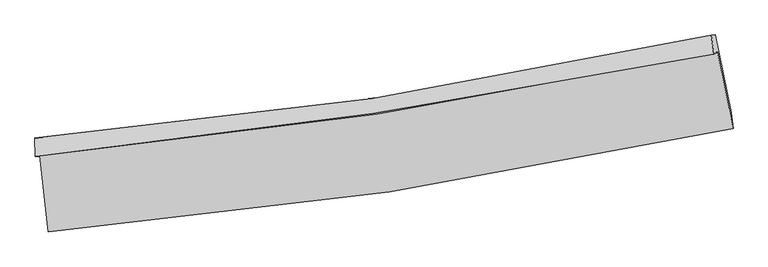
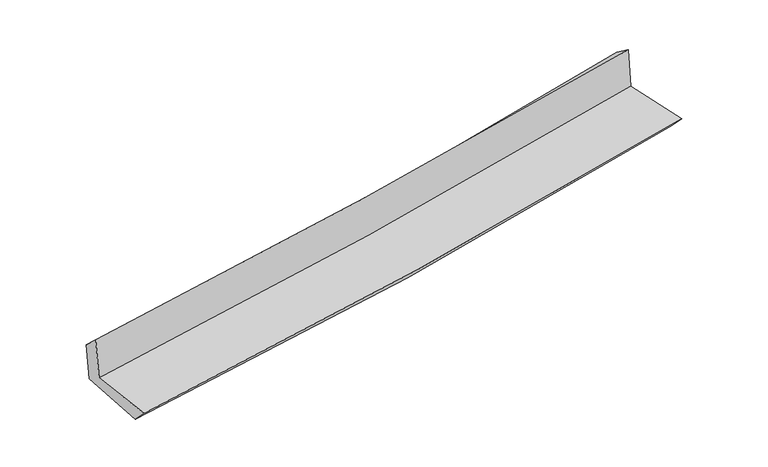
"""IFC4 building model written with IfcOpenShell, lengths in millimetres: proxy geometry."""

from ifc_helpers import new_model, si_unit, frame, origin, place, context, project, spatial, source, transform, mapped, element, save
from ifc_brep_helpers import plane_surface, spline_curve, spline_surface, advanced_brep


def generic_models_436091a7(model_context):
    return source(origin(), model_context, "Body", "AdvancedBrep", [
        advanced_brep(
        [(-2920.7172117, -1917.2869008, 1635.5112837), (-2849.2974905, -2572.8737819, 1635.6526197), (3012.1680293, -1686.640463, 2143.6141278), (2881.0183853, -1032.3867918, 2138.1085015), (-2957.059715, -1924.2615561, 2052.4382573), (2847.4912247, -1046.6698004, 2540.1817201), (-2961.3534619, -1766.5221698, 1907.5524807), (2825.9035594, -887.0171811, 2423.7893386), (-2928.6239201, -1762.0972953, 1534.3469447), (2859.2545822, -882.5050819, 2045.3783376), (-2851.8182919, -2423.4225118, 1480.9918679), (2997.3668067, -1546.849956, 1996.4065438)],
        [
            (0, 1),
            (1, 2, spline_curve(3, [(-2849.2974905, -2572.8737819, 1635.6526197), (-1872.681617835, -2488.326279704, 1737.242454955), (-899.72364124, -2373.022837865, 1830.104264934), (1054.214880977, -2078.592806557, 1999.703180417), (2035.078744344, -1898.485142304, 2076.161873221), (3012.1680293, -1686.640463, 2143.6141278)], [4, 2, 4], [0.0, 9.640721141145615, 19.433998605790904])),
            (2, 3),
            (3, 0, spline_curve(3, [(2881.0183853, -1032.3867918, 2138.1085015), (1913.549698497, -1236.817237972, 2071.56514468), (942.51432033, -1413.134034343, 1996.011403487), (-991.507801556, -1707.231669778, 1828.200462516), (-1954.384288705, -1825.881576383, 1736.221798099), (-2920.7172117, -1917.2869008, 1635.5112837)], [4, 2, 4], [0.0, 9.79327746464529, 19.433998605790904])),
            (4, 0),
            (3, 5),
            (5, 4, spline_curve(3, [(2847.4912247, -1046.6698004, 2540.1817201), (1878.413859045, -1240.153015574, 2470.855441658), (906.342146086, -1410.420535493, 2395.178485179), (-1028.600730614, -1702.233462125, 2232.401014628), (-1991.379330478, -1824.496527401, 2145.496816868), (-2957.059715, -1924.2615561, 2052.4382573)], [4, 2, 4], [0.0, 9.742970324250075, 19.334167992410308])),
            (6, 4),
            (5, 7),
            (7, 6, spline_curve(3, [(2825.9035594, -887.0171811, 2423.7893386), (1864.135237956, -1101.741581681, 2338.598315021), (897.153233707, -1282.708272019, 2252.639380416), (-1032.09360854, -1574.833061286, 2080.5366895), (-1994.197278288, -1687.03470051, 1994.41667166), (-2961.3534619, -1766.5221698, 1907.5524807)], [4, 2, 4], [0.0, 9.731360402652111, 19.31112900459824])),
            (8, 6),
            (7, 9),
            (9, 8, spline_curve(3, [(2859.2545822, -882.5050819, 2045.3783376), (1897.406474719, -1097.242098396, 1960.762007552), (930.332284426, -1278.222430708, 1875.528789716), (-999.122101645, -1570.376326313, 1705.165922434), (-1961.34074525, -1682.593398802, 1620.055342694), (-2928.6239201, -1762.0972953, 1534.3469447)], [4, 2, 4], [0.0, 9.721283253121145, 19.29113168392167])),
            (10, 8),
            (9, 11),
            (11, 10, spline_curve(3, [(2997.3668067, -1546.849956, 1996.4065438), (2022.823034725, -1750.872857763, 1911.817980997), (1044.261435141, -1926.28258112, 1826.227507134), (-905.591132627, -2217.588923767, 1654.391643198), (-1876.757899525, -2334.370052376, 1568.177225236), (-2851.8182919, -2423.4225118, 1480.9918679)], [4, 2, 4], [0.0, 9.77042233760756, 19.388644381059716])),
            (1, 10),
            (11, 2),
        ],
        [
            spline_surface(3, 3, [[(-2920.7172117, -1917.2869008, 1635.5112837), (-1954.384288822, -1825.881576449, 1736.221797974), (-991.507801397, -1707.231669822, 1828.200462606), (942.514320169, -1413.134034298, 1996.011403396), (1913.549698384, -1236.817237904, 2071.565144746), (2881.0183853, -1032.3867918, 2138.1085015)], [(-2896.910637962, -2135.815861175, 1635.558395676), (-1927.150065165, -2046.696477551, 1736.562016959), (-960.913081329, -1929.162059106, 1828.835063366), (979.747840436, -1634.953625088, 1997.241995759), (1954.059380327, -1457.373206074, 2073.097387599), (2924.7349333, -1250.471348859, 2139.943710273)], [(-2873.104064238, -2354.344821525, 1635.605507724), (-1899.915841522, -2267.511378628, 1736.902236016), (-930.318361281, -2151.092448431, 1829.469664117), (1016.981360682, -1856.77321592, 1998.472588111), (1994.569062269, -1677.929174267, 2074.629630434), (2968.4514813, -1468.555905941, 2141.778919027)], [(-2849.2974905, -2572.8737819, 1635.6526197), (-1872.681617866, -2488.326279731, 1737.242455001), (-899.723641212, -2373.022837715, 1830.104264877), (1054.214880949, -2078.59280671, 1999.703180474), (2035.078744212, -1898.485142437, 2076.161873286), (3012.1680293, -1686.640463, 2143.6141278)]], [4, 4], [4, 2, 4], [0.0, 2.2092589586393254], [0.0, 9.640721141145615, 19.433998605790904]),
            spline_surface(3, 3, [[(-2957.059715, -1924.2615561, 2052.4382573), (-1991.379330544, -1824.496527296, 2145.49681682), (-1028.600730491, -1702.233462088, 2232.401014614), (906.342145962, -1410.420535531, 2395.178485193), (1878.413859157, -1240.153015559, 2470.855441638), (2847.4912247, -1046.6698004, 2540.1817201)], [(-2944.945547247, -1921.936670984, 1913.462599459), (-1979.047649984, -1824.958210331, 2009.071810564), (-1016.236420776, -1703.899531359, 2097.667497284), (918.399537381, -1411.325035146, 2262.122791267), (1890.125805573, -1239.041089696, 2337.758675994), (2858.666944907, -1041.908797555, 2406.157313887)], [(-2932.831379453, -1919.611785916, 1774.486941541), (-1966.715969382, -1825.419893414, 1872.646804231), (-1003.872111112, -1705.565600551, 1962.933979935), (930.456928749, -1412.229534682, 2129.067097322), (1901.837751968, -1237.929163768, 2204.66191039), (2869.842665093, -1037.147794645, 2272.132907713)], [(-2920.7172117, -1917.2869008, 1635.5112837), (-1954.384288822, -1825.881576449, 1736.221797974), (-991.507801397, -1707.231669822, 1828.200462606), (942.514320169, -1413.134034298, 1996.011403396), (1913.549698384, -1236.817237904, 2071.565144746), (2881.0183853, -1032.3867918, 2138.1085015)]], [4, 4], [4, 2, 4], [0.0, 1.3232594327959584], [0.0, 9.591197668160232, 19.334167992410308]),
            spline_surface(3, 3, [[(-2961.3534619, -1766.5221698, 1907.5524807), (-1994.197278288, -1687.034700469, 1994.416671659), (-1032.093608678, -1574.833061266, 2080.536689562), (897.153233848, -1282.70827204, 2252.639380353), (1864.13523801, -1101.741581682, 2338.598315114), (2825.9035594, -887.0171811, 2423.7893386)], [(-2959.922212937, -1819.101965235, 1955.847739553), (-1993.257962377, -1732.855309413, 2044.776720033), (-1030.929315941, -1617.299861511, 2131.158131237), (900.216204561, -1325.279026508, 2300.15241529), (1868.894778384, -1147.878726286, 2382.684023971), (2833.099447825, -940.234720845, 2462.586799116)], [(-2958.490963963, -1871.681760665, 2004.142998447), (-1992.318646455, -1778.675918352, 2095.136768447), (-1029.765023228, -1659.766661843, 2181.779572939), (903.279175249, -1367.849781063, 2347.665450255), (1873.654318783, -1194.015870955, 2426.769732781), (2840.295336275, -993.452260655, 2501.384259584)], [(-2957.059715, -1924.2615561, 2052.4382573), (-1991.379330544, -1824.496527296, 2145.49681682), (-1028.600730491, -1702.233462088, 2232.401014614), (906.342145962, -1410.420535531, 2395.178485193), (1878.413859157, -1240.153015559, 2470.855441638), (2847.4912247, -1046.6698004, 2540.1817201)]], [4, 4], [4, 2, 4], [0.0, 0.6392084301863169], [0.0, 9.579768601946128, 19.31112900459824]),
            spline_surface(3, 3, [[(-2928.6239201, -1762.0972953, 1534.3469447), (-1961.340745397, -1682.593398787, 1620.055342558), (-999.122101711, -1570.376326433, 1705.165922452), (930.332284493, -1278.222430586, 1875.528789698), (1897.406474873, -1097.242098503, 1960.762007477), (2859.2545822, -882.5050819, 2045.3783376)], [(-2939.533767346, -1763.572253479, 1658.748790019), (-1972.292923007, -1684.073832694, 1744.842452244), (-1010.112604041, -1571.861904715, 1830.289511486), (919.272600937, -1279.717711074, 2001.232319914), (1886.316062587, -1098.741926253, 2086.707443346), (2848.137574602, -884.00911499, 2171.515337923)], [(-2950.443614654, -1765.047211621, 1783.150635381), (-1983.245100679, -1685.554266563, 1869.629561973), (-1021.103106348, -1573.347482985, 1955.413100527), (908.212917404, -1281.212991552, 2126.935850137), (1875.225650296, -1100.241753932, 2212.652879245), (2837.020566998, -885.51314801, 2297.652338277)], [(-2961.3534619, -1766.5221698, 1907.5524807), (-1994.197278288, -1687.034700469, 1994.416671659), (-1032.093608678, -1574.833061266, 2080.536689562), (897.153233848, -1282.70827204, 2252.639380353), (1864.13523801, -1101.741581682, 2338.598315114), (2825.9035594, -887.0171811, 2423.7893386)]], [4, 4], [4, 2, 4], [0.0, 1.2392778562375084], [0.0, 9.569848430800524, 19.29113168392167]),
            spline_surface(3, 3, [[(-2851.8182919, -2423.4225118, 1480.9918679), (-1876.757899395, -2334.370052513, 1568.177225308), (-905.591132697, -2217.5889238, 1654.391643324), (1044.261435211, -1926.282581087, 1826.227507006), (2022.8230347, -1750.872857889, 1911.817980987), (2997.3668067, -1546.849956, 1996.4065438)], [(-2877.420167967, -2202.980772955, 1498.776893507), (-1904.952181397, -2117.111167925, 1585.469931066), (-936.76812238, -2001.851391353, 1671.316403034), (1006.285051627, -1710.262530929, 1842.661267905), (1981.017514767, -1532.995938078, 1928.132656487), (2951.329398543, -1325.401664618, 2012.73047507)], [(-2903.022044033, -1982.539034145, 1516.561919093), (-1933.146463396, -1899.852283374, 1602.762636801), (-967.945112028, -1786.11385888, 1688.241162741), (968.308668077, -1494.242480744, 1859.095028799), (1939.211994806, -1315.119018314, 1944.447331977), (2905.291990357, -1103.953373282, 2029.05440633)], [(-2928.6239201, -1762.0972953, 1534.3469447), (-1961.340745397, -1682.593398787, 1620.055342558), (-999.122101711, -1570.376326433, 1705.165922452), (930.332284493, -1278.222430586, 1875.528789698), (1897.406474873, -1097.242098503, 1960.762007477), (2859.2545822, -882.5050819, 2045.3783376)]], [4, 4], [4, 2, 4], [0.0, 2.1582305192550213], [0.0, 9.618222043452157, 19.388644381059716]),
            spline_surface(3, 3, [[(-2849.2974905, -2572.8737819, 1635.6526197), (-1872.681617866, -2488.326279731, 1737.242455001), (-899.723641212, -2373.022837715, 1830.104264877), (1054.214880949, -2078.59280671, 1999.703180474), (2035.078744212, -1898.485142437, 2076.161873286), (3012.1680293, -1686.640463, 2143.6141278)], [(-2850.13775764, -2523.056691872, 1584.099035786), (-1874.040378383, -2437.00753733, 1680.887378456), (-901.67947172, -2321.21153308, 1771.533391026), (1050.89706569, -2027.822731506, 1941.877955984), (2030.993507699, -1849.281047587, 2021.380575851), (3007.234288424, -1640.043627333, 2094.544933131)], [(-2850.97802476, -2473.239601828, 1532.545451814), (-1875.399138878, -2385.688794913, 1624.532301854), (-903.635302189, -2269.400228435, 1712.962517175), (1047.57925047, -1977.052656291, 1884.052731496), (2026.908271213, -1800.076952738, 1966.599278422), (3002.300547576, -1593.446791667, 2045.475738469)], [(-2851.8182919, -2423.4225118, 1480.9918679), (-1876.757899395, -2334.370052513, 1568.177225308), (-905.591132697, -2217.5889238, 1654.391643324), (1044.261435211, -1926.282581087, 1826.227507006), (2022.8230347, -1750.872857889, 1911.817980987), (2997.3668067, -1546.849956, 1996.4065438)]], [4, 4], [4, 2, 4], [0.0, 0.7638684090078083], [0.0, 9.678401859945648, 19.50995630915188]),
            plane_surface(frame((2903.8670979, -1180.344879, 2214.5797615), z_axis=(0.9765115967195027, 0.19649241708061294, 0.08840719146169936), x_axis=(-0.08778787962195622, -0.0118769259377829, 0.9960683846110915))),
            plane_surface(frame((-2911.4783485, -2061.0773693, 1707.748909), z_axis=(-0.9902488028204105, -0.1078968331221832, -0.08812253919938848), x_axis=(-0.10829937882294041, 0.9941183021220319, -0.000214318860188463))),
        ],
        [
            (0, [[1, 2, 3, 4]]),
            (1, [[5, -4, 6, 7]]),
            (2, [[8, -7, 9, 10]]),
            (3, [[11, -10, 12, 13]]),
            (4, [[14, -13, 15, 16]]),
            (5, [[17, -16, 18, -2]]),
            (6, [[-12, -9, -6, -3, -18, -15]]),
            (7, [[-1, -5, -8, -11, -14, -17]]),
        ],
    ),
    ])


if __name__ == "__main__":
    model = new_model("IFC4")
    model_context = context("Model", 3, world=origin())
    ifc_project = project(units=[si_unit("LENGTHUNIT", "METRE", prefix="MILLI")], contexts=[model_context])
    site = spatial("IfcSite", under=ifc_project)
    building = spatial("IfcBuilding", under=site)
    placement = place(None, origin())
    generic_models_shape = generic_models_436091a7(model_context)
    element("IfcBuildingElementProxy", 1, Name="Generic Models", at=placement, inside=building, context=model_context, shape_type="MappedRepresentation", body=[
        mapped(generic_models_shape, transform((0.0, 0.0, 0.0), x_axis=(1.0, 0.0, 0.0), y_axis=(0.0, 1.0, 0.0), z_axis=(0.0, 0.0, 1.0))),
    ])
    save(model, "model.ifc")
